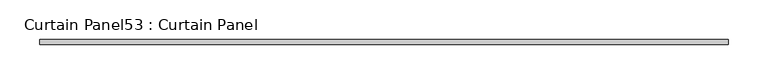
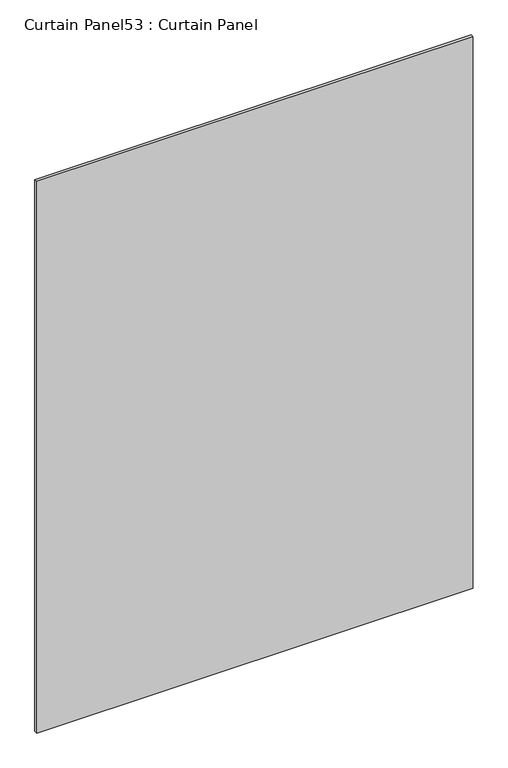
"""IFC4 building model written with IfcOpenShell, lengths in millimetres: plate geometry, Curtain Panel53 : Curtain Panel."""

from ifc_helpers import new_model, si_unit, frame, origin, place, context, project, spatial, polyline, outline, extrude, source, transform, mapped, element, save


def curtain_panel53_curtain_panel_96f0e6fb(model_context):
    return source(origin(), model_context, "Body", "SweptSolid", [
        extrude(outline(polyline([(-37411.9703698, 3064.8136018), (-38281.8383599, 3064.8136018), (-38281.8383599, 3071.1636018), (-37411.9703698, 3071.1636018), (-37411.9703698, 3064.8136018)])), frame((0.0, 0.0, 41.275), z_axis=(0.0, 0.0, 1.0), x_axis=(1.0, 0.0, 0.0)), (0.0, 0.0, 1.0), 1161.8595),
    ])


if __name__ == "__main__":
    model = new_model("IFC4")
    model_context = context("Model", 3, world=origin())
    ifc_project = project(units=[si_unit("LENGTHUNIT", "METRE", prefix="MILLI")], contexts=[model_context])
    site = spatial("IfcSite", under=ifc_project)
    building = spatial("IfcBuilding", under=site)
    placement = place(None, origin())
    curtain_panel53_curtain_panel_shape = curtain_panel53_curtain_panel_96f0e6fb(model_context)
    element("IfcPlate", 1, ObjectType="Curtain Panel53 : Curtain Panel", at=placement, inside=building, context=model_context, shape_type="MappedRepresentation", body=[
        mapped(curtain_panel53_curtain_panel_shape, transform((0.0, 0.0, 0.0), x_axis=(1.0, 0.0, 0.0), y_axis=(0.0, 1.0, 0.0), z_axis=(0.0, 0.0, 1.0))),
    ])
    save(model, "model.ifc")
